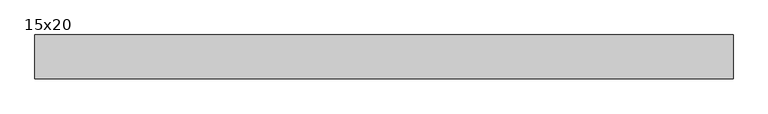
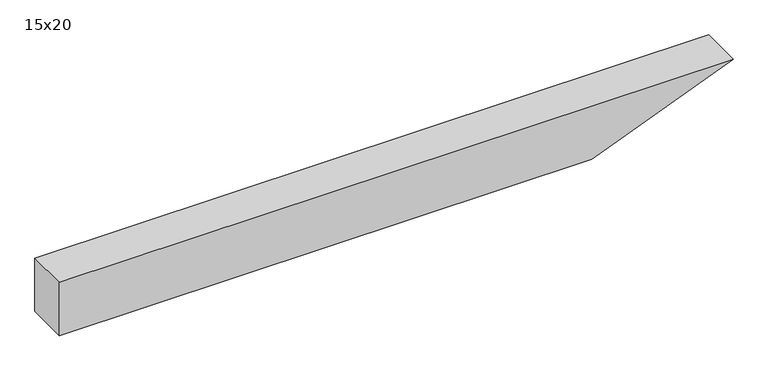
"""IFC4 building model written with IfcOpenShell, lengths in millimetres: beam geometry, 15x20."""

from ifc_helpers import new_model, si_unit, frame, origin, place, context, project, spatial, polyline, outline, extrude, source, transform, mapped, element, save


def beam_15x20_38180c36(model_context):
    return source(origin(), model_context, "Body", "SweptSolid", [
        extrude(outline(polyline([(100.0, -1038.0), (-100.0, -1038.0), (-100.0, 849.8), (100.0, 1352.0), (100.0, -1038.0)])), frame((0.0, -75.0, 0.0), z_axis=(0.0, 1.0, 0.0), x_axis=(0.0, 0.0, 1.0)), (0.0, 0.0, 1.0), 150.0),
    ])


if __name__ == "__main__":
    model = new_model("IFC4")
    model_context = context("Model", 3, world=origin())
    ifc_project = project(units=[si_unit("LENGTHUNIT", "METRE", prefix="MILLI")], contexts=[model_context])
    site = spatial("IfcSite", under=ifc_project)
    building = spatial("IfcBuilding", under=site)
    placement = place(None, origin())
    beam_15x20_shape = beam_15x20_38180c36(model_context)
    element("IfcBeam", 1, ObjectType="15x20", at=placement, inside=building, context=model_context, shape_type="MappedRepresentation", body=[
        mapped(beam_15x20_shape, transform((0.0, 0.0, 0.0), x_axis=(1.0, 0.0, 0.0), y_axis=(0.0, 1.0, 0.0), z_axis=(0.0, 0.0, 1.0))),
    ])
    save(model, "model.ifc")
